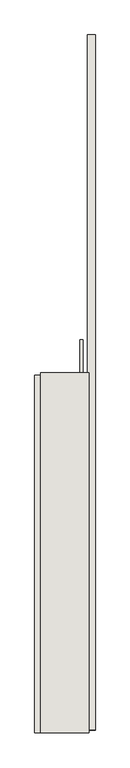
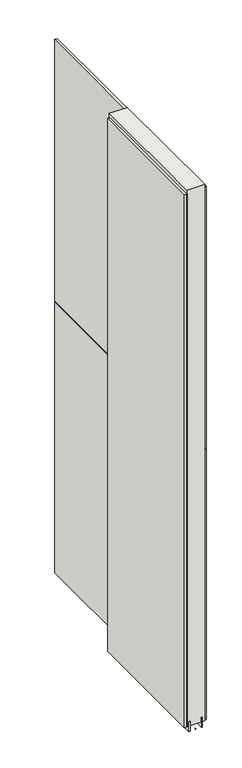
"""IFC4 building model written with IfcOpenShell, lengths in millimetres: wall geometry."""

from ifc_helpers import new_model, si_unit, frame, origin, place, context, project, spatial, polyline, outline, extrude, source, transform, mapped, element, save


def wall_489f4a37(model_context):
    return source(origin(), model_context, "Body", "SweptSolid", [
        extrude(outline(polyline([(81688.342211, -48380.4255148), (81688.342211, -48377.8855148), (81690.882211, -48377.8855148), (81690.882211, -48380.4255148), (81688.342211, -48380.4255148)])), frame((0.0, 0.0, 4419.6), z_axis=(0.0, 0.0, 1.0), x_axis=(1.0, 0.0, 0.0)), (0.0, 0.0, 1.0), 2.54),
        extrude(outline(polyline([(81740.412211, -47211.3369462), (81740.412211, -48375.9571722), (81727.712211, -48375.9571722), (81727.712211, -47211.3369462), (81740.412211, -47211.3369462)])), frame((0.0, 0.0, 5742.399869), z_axis=(0.0, 0.0, 1.0), x_axis=(1.0, 0.0, 0.0)), (0.0, 0.0, 1.0), 1247.649905),
        extrude(outline(polyline([(81740.412211, -47211.3369462), (81740.412211, -48375.9571722), (81727.712211, -48375.9571722), (81727.712211, -47211.3369462), (81740.412211, -47211.3369462)])), frame((0.0, 0.0, 4445.0), z_axis=(0.0, 0.0, 1.0), x_axis=(1.0, 0.0, 0.0)), (0.0, 0.0, 1.0), 1293.400004),
        extrude(outline(polyline([(81638.812211, -48380.8886076), (81638.812211, -47781.6386504), (81651.512211, -47781.6386504), (81651.512211, -48380.8886076), (81638.812211, -48380.8886076)])), frame((0.0, 0.0, 4445.0), z_axis=(0.0, 0.0, 1.0), x_axis=(1.0, 0.0, 0.0)), (0.0, 0.0, 1.0), 2545.0498756),
        extrude(outline(polyline([(81714.6959556, -48380.4205618), (81714.6959556, -47721.874711), (81719.774711, -47721.874711), (81719.774711, -48380.4205618), (81714.6959556, -48380.4205618)])), frame((0.0, 0.0, 4418.6602), z_axis=(0.0, 0.0, 1.0), x_axis=(1.0, 0.0, 0.0)), (0.0, 0.0, 1.0), 47.625),
        extrude(outline(polyline([(81714.6959556, -48380.4205618), (81714.6959556, -47721.874711), (81719.774711, -47721.874711), (81719.774711, -48380.4205618), (81714.6959556, -48380.4205618)])), frame((0.0, 0.0, 4418.6602), z_axis=(0.0, 0.0, 1.0), x_axis=(1.0, 0.0, 0.0)), (0.0, 0.0, 1.0), 47.625),
        extrude(outline(polyline([(81664.5284664, -47777.1705618), (81664.5284664, -48380.4205618), (81659.449711, -48380.4205618), (81659.449711, -47777.1705618), (81664.5284664, -47777.1705618)])), frame((0.0, 0.0, 4418.6602), z_axis=(0.0, 0.0, 1.0), x_axis=(1.0, 0.0, 0.0)), (0.0, 0.0, 1.0), 47.625),
        extrude(outline(polyline([(81664.5284664, -47777.1705618), (81664.5284664, -48380.4205618), (81659.449711, -48380.4205618), (81659.449711, -47777.1705618), (81664.5284664, -47777.1705618)])), frame((0.0, 0.0, 4418.6602), z_axis=(0.0, 0.0, 1.0), x_axis=(1.0, 0.0, 0.0)), (0.0, 0.0, 1.0), 47.625),
        extrude(outline(polyline([(81730.2670954, -48380.4205618), (81648.9573266, -48380.4205618), (81648.9573266, -47777.1705618), (81730.2670954, -47777.1705618), (81730.2670954, -48380.4205618)])), frame((0.0, 0.0, 4445.0), z_axis=(0.0, 0.0, 1.0), x_axis=(1.0, 0.0, 0.0)), (0.0, 0.0, 1.0), 2562.4536762),
    ])


if __name__ == "__main__":
    model = new_model("IFC4")
    model_context = context("Model", 3, world=origin())
    ifc_project = project(units=[si_unit("LENGTHUNIT", "METRE", prefix="MILLI")], contexts=[model_context])
    site = spatial("IfcSite", under=ifc_project)
    building = spatial("IfcBuilding", under=site)
    placement = place(None, origin())
    wall_shape = wall_489f4a37(model_context)
    element("IfcWall", 1, at=placement, inside=building, context=model_context, shape_type="MappedRepresentation", body=[
        mapped(wall_shape, transform((0.0, 0.0, 0.0), x_axis=(1.0, 0.0, 0.0), y_axis=(0.0, 1.0, 0.0), z_axis=(0.0, 0.0, 1.0))),
    ])
    save(model, "model.ifc")
